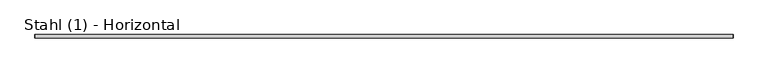
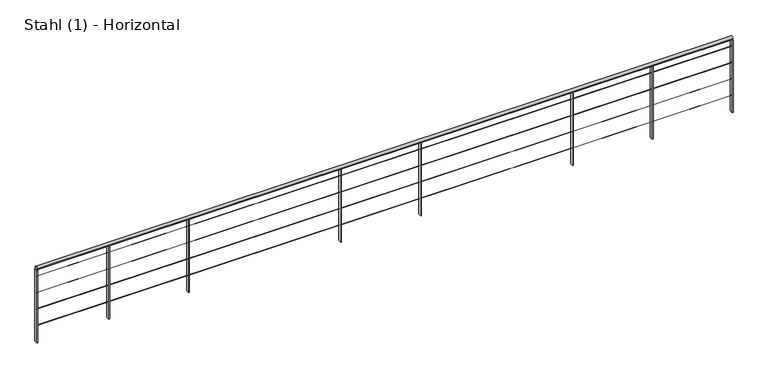
"""IFC4 building model written with IfcOpenShell, lengths in millimetres: railing geometry, Stahl (1) - Horizontal."""

from ifc_helpers import new_model, si_unit, point, frame, frame_2d, origin, place, context, project, spatial, polyline, circle_curve, trimmed, segment, composite_curve, outline, extrude, source, transform, mapped, element, save


def stahl_1_horizontal_e6cd68d6(model_context):
    return source(origin(), model_context, "Body", "SweptSolid", [
        extrude(outline(composite_curve([segment(trimmed(circle_curve(frame_2d((6622.1677406, 4700.0)), 20.0), [point((6642.1677406, 4700.0))], [point((6602.1677406, 4700.0))], False, "CARTESIAN"), True, "CONTINUOUS"), segment(trimmed(circle_curve(frame_2d((6622.1677406, 4700.0)), 20.0), [point((6602.1677406, 4700.0))], [point((6642.1677406, 4700.0))], False, "CARTESIAN"), True, "CONTINUOUS")], self_intersect=False)), frame((-2427.5285499, 0.0, 0.0), z_axis=(1.0, 0.0, 0.0), x_axis=(0.0, 1.0, 0.0)), (0.0, 0.0, 1.0), 8017.8671634),
        extrude(outline(composite_curve([segment(trimmed(circle_curve(frame_2d((6622.1677406, 4598.5)), 1.5), [point((6623.6677406, 4598.5))], [point((6620.6677406, 4598.5))], False, "CARTESIAN"), True, "CONTINUOUS"), segment(trimmed(circle_curve(frame_2d((6622.1677406, 4598.5)), 1.5), [point((6620.6677406, 4598.5))], [point((6623.6677406, 4598.5))], False, "CARTESIAN"), True, "CONTINUOUS")], self_intersect=False)), frame((-2427.5285499, 0.0, 0.0), z_axis=(1.0, 0.0, 0.0), x_axis=(0.0, 1.0, 0.0)), (0.0, 0.0, 1.0), 8017.8671634),
        extrude(outline(composite_curve([segment(trimmed(circle_curve(frame_2d((6622.1677406, 4398.5)), 1.5), [point((6623.6677406, 4398.5))], [point((6620.6677406, 4398.5))], False, "CARTESIAN"), True, "CONTINUOUS"), segment(trimmed(circle_curve(frame_2d((6622.1677406, 4398.5)), 1.5), [point((6620.6677406, 4398.5))], [point((6623.6677406, 4398.5))], False, "CARTESIAN"), True, "CONTINUOUS")], self_intersect=False)), frame((-2427.5285499, 0.0, 0.0), z_axis=(1.0, 0.0, 0.0), x_axis=(0.0, 1.0, 0.0)), (0.0, 0.0, 1.0), 8017.8671634),
        extrude(outline(composite_curve([segment(trimmed(circle_curve(frame_2d((6622.1677406, 4198.5)), 1.5), [point((6623.6677406, 4198.5))], [point((6620.6677406, 4198.5))], False, "CARTESIAN"), True, "CONTINUOUS"), segment(trimmed(circle_curve(frame_2d((6622.1677406, 4198.5)), 1.5), [point((6620.6677406, 4198.5))], [point((6623.6677406, 4198.5))], False, "CARTESIAN"), True, "CONTINUOUS")], self_intersect=False)), frame((-2427.5285499, 0.0, 0.0), z_axis=(1.0, 0.0, 0.0), x_axis=(0.0, 1.0, 0.0)), (0.0, 0.0, 1.0), 8017.8671634),
        extrude(outline(composite_curve([segment(trimmed(circle_curve(frame_2d((6622.1677406, 3998.5)), 1.5), [point((6623.6677406, 3998.5))], [point((6620.6677406, 3998.5))], False, "CARTESIAN"), True, "CONTINUOUS"), segment(trimmed(circle_curve(frame_2d((6622.1677406, 3998.5)), 1.5), [point((6620.6677406, 3998.5))], [point((6623.6677406, 3998.5))], False, "CARTESIAN"), True, "CONTINUOUS")], self_intersect=False)), frame((-2427.5285499, 0.0, 0.0), z_axis=(1.0, 0.0, 0.0), x_axis=(0.0, 1.0, 0.0)), (0.0, 0.0, 1.0), 8017.8671634),
        extrude(outline(polyline([(-1594.0940157, 6602.1677406), (-1602.0940157, 6602.1677406), (-1602.0940157, 6642.1677406), (-1594.0940157, 6642.1677406), (-1594.0940157, 6602.1677406)])), frame((0.0, 0.0, 3800.0), z_axis=(0.0, 0.0, 1.0), x_axis=(1.0, 0.0, 0.0)), (0.0, 0.0, 1.0), 880.0),
        extrude(outline(polyline([(-672.5000889, 6602.1677406), (-680.5000889, 6602.1677406), (-680.5000889, 6642.1677406), (-672.5000889, 6642.1677406), (-672.5000889, 6602.1677406)])), frame((0.0, 0.0, 3800.0), z_axis=(0.0, 0.0, 1.0), x_axis=(1.0, 0.0, 0.0)), (0.0, 0.0, 1.0), 880.0),
        extrude(outline(polyline([(1078.528372, 6602.1677406), (1070.528372, 6602.1677406), (1070.528372, 6642.1677406), (1078.528372, 6642.1677406), (1078.528372, 6602.1677406)])), frame((0.0, 0.0, 3800.0), z_axis=(0.0, 0.0, 1.0), x_axis=(1.0, 0.0, 0.0)), (0.0, 0.0, 1.0), 880.0),
        extrude(outline(polyline([(2000.1222989, 6602.1677406), (1992.1222989, 6602.1677406), (1992.1222989, 6642.1677406), (2000.1222989, 6642.1677406), (2000.1222989, 6602.1677406)])), frame((0.0, 0.0, 3800.0), z_axis=(0.0, 0.0, 1.0), x_axis=(1.0, 0.0, 0.0)), (0.0, 0.0, 1.0), 880.0),
        extrude(outline(polyline([(3751.1507598, 6602.1677406), (3743.1507598, 6602.1677406), (3743.1507598, 6642.1677406), (3751.1507598, 6642.1677406), (3751.1507598, 6602.1677406)])), frame((0.0, 0.0, 3800.0), z_axis=(0.0, 0.0, 1.0), x_axis=(1.0, 0.0, 0.0)), (0.0, 0.0, 1.0), 880.0),
        extrude(outline(polyline([(4672.7446867, 6602.1677406), (4664.7446867, 6602.1677406), (4664.7446867, 6642.1677406), (4672.7446867, 6642.1677406), (4672.7446867, 6602.1677406)])), frame((0.0, 0.0, 3800.0), z_axis=(0.0, 0.0, 1.0), x_axis=(1.0, 0.0, 0.0)), (0.0, 0.0, 1.0), 880.0),
        extrude(outline(polyline([(-2423.5285499, 6602.1677406), (-2431.5285499, 6602.1677406), (-2431.5285499, 6642.1677406), (-2423.5285499, 6642.1677406), (-2423.5285499, 6602.1677406)])), frame((0.0, 0.0, 3800.0), z_axis=(0.0, 0.0, 1.0), x_axis=(1.0, 0.0, 0.0)), (0.0, 0.0, 1.0), 880.0),
        extrude(outline(polyline([(5594.3386135, 6602.1677406), (5586.3386135, 6602.1677406), (5586.3386135, 6642.1677406), (5594.3386135, 6642.1677406), (5594.3386135, 6602.1677406)])), frame((0.0, 0.0, 3800.0), z_axis=(0.0, 0.0, 1.0), x_axis=(1.0, 0.0, 0.0)), (0.0, 0.0, 1.0), 880.0),
    ])


if __name__ == "__main__":
    model = new_model("IFC4")
    model_context = context("Model", 3, world=origin())
    ifc_project = project(units=[si_unit("LENGTHUNIT", "METRE", prefix="MILLI")], contexts=[model_context])
    site = spatial("IfcSite", under=ifc_project)
    building = spatial("IfcBuilding", under=site)
    placement = place(None, origin())
    stahl_1_horizontal_shape = stahl_1_horizontal_e6cd68d6(model_context)
    element("IfcRailing", 1, ObjectType="Stahl (1) - Horizontal", at=placement, inside=building, context=model_context, shape_type="MappedRepresentation", body=[
        mapped(stahl_1_horizontal_shape, transform((0.0, 0.0, 0.0), x_axis=(1.0, 0.0, 0.0), y_axis=(0.0, 1.0, 0.0), z_axis=(0.0, 0.0, 1.0))),
    ])
    save(model, "model.ifc")
